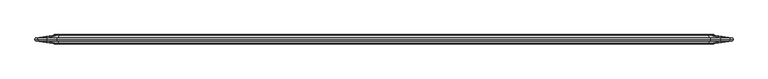
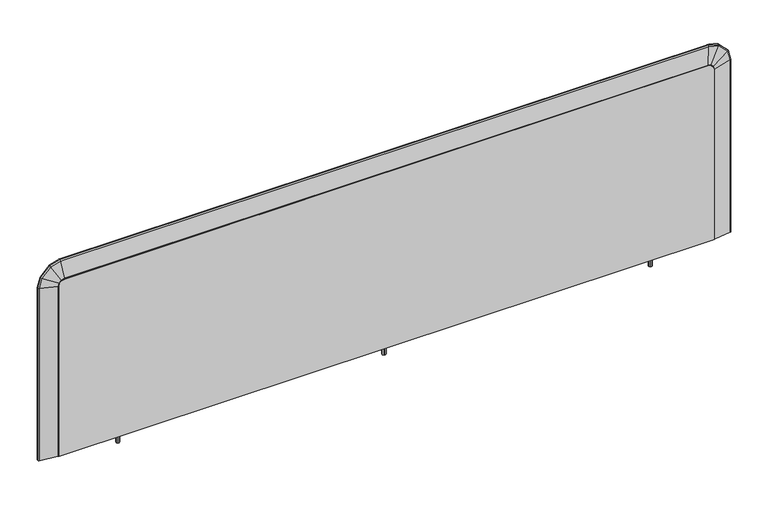
"""IFC4 building model written with IfcOpenShell, lengths in millimetres: furniture geometry."""

from ifc_helpers import new_model, si_unit, frame, origin, place, context, project, spatial, polyline, circle_curve, ellipse_curve, outline, extrude, faceted_brep, source, transform, mapped, element, save
from ifc_brep_helpers import plane_surface, cylinder_surface, advanced_brep


def furniture_494233a1(model_context):
    return source(origin(), model_context, "Body", "SolidModel", [
        faceted_brep([(182.0608047, -24.5352982, 727.3148755), (182.0608047, -38.5848849, 727.3148755), (161.465212, -38.5848849, 727.3148755), (161.465212, -24.5352982, 727.3148755), (161.465212, -24.5352982, 721.056912), (182.0608047, -24.5352982, 721.056912), (161.465212, -38.5848849, 721.056912), (182.0608047, -38.5848849, 721.056912), (41.35374, -21.6312787, 721.056912), (41.35374, -21.6312787, 1111.5510233), (43.0552145, -21.6312787, 1117.9009991), (47.7037408, -21.6312787, 1122.5494799), (54.0537392, -21.6312787, 1124.2509748), (1451.0537158, -21.6312787, 1124.2509748), (1457.4036916, -21.6312787, 1122.5494799), (1462.052245, -21.6312787, 1117.9009991), (1463.75374, -21.6312787, 1111.5510233), (1463.75374, -21.6312787, 721.056912), (41.35374, -41.6655198, 721.056912), (1463.75374, -41.6655198, 721.056912), (1463.75374, -41.6655198, 1111.5510233), (1462.052245, -41.6655198, 1117.9009991), (1457.4036916, -41.6655198, 1122.5494799), (1451.0537158, -41.6655198, 1124.2509748), (54.0537392, -41.6655198, 1124.2509748), (47.7037408, -41.6655198, 1122.5494799), (43.0552145, -41.6655198, 1117.9009991), (41.35374, -41.6655198, 1111.5510233), (1343.4452878, -24.5352982, 721.056912), (1318.0744951, -24.5352982, 721.056912), (1318.0744951, -38.5848849, 721.056912), (1343.4452878, -38.5848849, 721.056912), (1318.0744951, -24.5352982, 727.3148755), (1343.4452878, -24.5352982, 727.3148755), (1343.4452878, -38.5848849, 727.3148755), (1318.0744951, -38.5848849, 727.3148755)], [[[0, 1, 2, 3]], [[0, 3, 4, 5]], [[3, 2, 6, 4]], [[2, 1, 7, 6]], [[1, 0, 5, 7]], [[8, 9, 10, 11, 12, 13, 14, 15, 16, 17]], [[18, 19, 20, 21, 22, 23, 24, 25, 26, 27]], [[9, 8, 18, 27]], [[10, 9, 27, 26]], [[11, 10, 26, 25]], [[12, 11, 25, 24]], [[13, 12, 24, 23]], [[14, 13, 23, 22]], [[15, 14, 22, 21]], [[16, 15, 21, 20]], [[17, 16, 20, 19]], [[8, 17, 19, 18], [5, 4, 6, 7], [28, 29, 30, 31]], [[32, 33, 34, 35]], [[33, 32, 29, 28]], [[34, 33, 28, 31]], [[35, 34, 31, 30]], [[32, 35, 30, 29]]]),
        extrude(outline(polyline([(1329.8115069, -27.7980412), (1332.8230782, -28.1945209), (1334.6722204, -30.6043713), (1334.2757329, -33.6159343), (1331.8658873, -35.4650775), (1328.854316, -35.0685977), (1327.0051738, -32.6587474), (1327.4016613, -29.6471844), (1329.8115069, -27.7980412)]), holes=[polyline([(1329.8826636, -28.0636008), (1327.6397553, -29.7846483), (1327.2707337, -32.5875912), (1328.9917799, -34.8305034), (1331.7947306, -35.1995178), (1334.0376389, -33.4784704), (1334.4066605, -30.6755274), (1332.6856143, -28.4326153), (1329.8826636, -28.0636008)])]), frame((0.0, 0.0, 700.99428), z_axis=(0.0, 0.0, 1.0), x_axis=(1.0, 0.0, 0.0)), (0.0, 0.0, 1.0), 26.3205955),
        extrude(outline(polyline([(173.0545058, -27.7980412), (176.0660771, -28.1945209), (177.9152193, -30.6043713), (177.5187318, -33.6159343), (175.1088862, -35.4650775), (172.0973149, -35.0685977), (170.2481727, -32.6587474), (170.6446602, -29.6471844), (173.0545058, -27.7980412)]), holes=[polyline([(173.1256625, -28.0636008), (170.8827542, -29.7846483), (170.5137326, -32.5875912), (172.2347788, -34.8305034), (175.0377295, -35.1995178), (177.2806378, -33.4784704), (177.6496594, -30.6755274), (175.9286132, -28.4326153), (173.1256625, -28.0636008)])]), frame((0.0, 0.0, 700.99428), z_axis=(0.0, 0.0, 1.0), x_axis=(1.0, 0.0, 0.0)), (0.0, 0.0, 1.0), 26.3205955),
        extrude(outline(polyline([(751.4280597, -27.7980412), (754.439631, -28.1945209), (756.2887732, -30.6043713), (755.8922858, -33.6159343), (753.4824401, -35.4650775), (750.4708689, -35.0685977), (748.6217266, -32.6587474), (749.0182141, -29.6471844), (751.4280597, -27.7980412)]), holes=[polyline([(751.4992164, -28.0636008), (749.2563081, -29.7846483), (748.8872866, -32.5875912), (750.6083327, -34.8305034), (753.4112834, -35.1995178), (755.6541917, -33.4784704), (756.0232133, -30.6755274), (754.3021672, -28.4326153), (751.4992164, -28.0636008)])]), frame((0.0, 0.0, 700.99428), z_axis=(0.0, 0.0, 1.0), x_axis=(1.0, 0.0, 0.0)), (0.0, 0.0, 1.0), 26.3205955),
        advanced_brep(
        [(41.35374, -40.3955198, 720.263162), (40.527722, -40.3955198, 720.263162), (39.2303702, -40.3003466, 720.263162), (2.1950955, -34.8371601, 720.263162), (0.2344281, -32.1683735, 720.263162), (1.4359994, -31.9712076, 720.263162), (0.2308623, -31.6483991, 720.263162), (2.1917528, -29.0070421, 720.263162), (39.1963882, -23.5483754, 720.263162), (40.4937399, -23.4532022, 720.263162), (41.35374, -23.4532022, 720.263162), (1463.75374, -40.3955198, 720.263162), (1463.75374, -23.4532022, 720.263162), (1464.6137401, -23.4532022, 720.263162), (1465.9110918, -23.5483754, 720.263162), (1502.9157272, -29.0070421, 720.263162), (1504.8766177, -31.6483991, 720.263162), (1503.6714806, -31.9712076, 720.263162), (1504.8730519, -32.1683735, 720.263162), (1502.9123845, -34.8371601, 720.263162), (1465.8771098, -40.3003466, 720.263162), (1464.579758, -40.3955198, 720.263162), (1463.75374, -40.3955198, 1110.7572733), (1463.75374, -23.4532022, 1110.7572733), (1462.052245, -23.4532022, 1117.1072491), (1457.4036916, -23.4532022, 1121.7557299), (1451.0537158, -23.4532022, 1123.4572248), (54.0537392, -23.4532022, 1123.4572248), (47.7037408, -23.4532022, 1121.7557299), (43.0552145, -23.4532022, 1117.1072491), (41.35374, -23.4532022, 1110.7572733), (40.4937399, -23.4532022, 1110.8704947), (42.2841603, -23.4532022, 1117.5524202), (47.2585733, -23.4532022, 1122.5267846), (53.9405169, -23.4532022, 1124.3172249), (1451.1669385, -23.4532022, 1124.3172249), (1457.848858, -23.4532022, 1122.5267846), (1462.8232979, -23.4532022, 1117.5524225), (1464.6137401, -23.4532022, 1110.870496), (1465.9110918, -23.5483754, 1111.0412979), (1502.9157272, -29.0070421, 1115.9131172), (1504.8766177, -31.6483991, 1116.1712769), (1503.6714806, -31.9712076, 1116.0126154), (1504.8730519, -32.1683735, 1116.1708075), (1502.9123845, -34.8371601, 1115.9126772), (1465.8771098, -40.3003466, 1111.036824), (1464.579758, -40.3955198, 1110.8660221), (1462.7928305, -40.3955198, 1117.5348319), (1457.8312677, -40.3955198, 1122.4963171), (1451.1624646, -40.3955198, 1124.2832429), (53.9449908, -40.3955198, 1124.2832429), (47.2761636, -40.3955198, 1122.4963171), (42.3146278, -40.3955198, 1117.5348297), (40.527722, -40.3955198, 1110.8660209), (41.35374, -40.3955198, 1110.7572733), (43.0552145, -40.3955198, 1117.1072491), (47.7037408, -40.3955198, 1121.7557299), (54.0537392, -40.3955198, 1123.4572248), (1451.0537158, -40.3955198, 1123.4572248), (1457.4036916, -40.3955198, 1121.7557299), (1462.052245, -40.3955198, 1117.1072491), (1463.9864685, -23.5483754, 1118.2239882), (1497.1638272, -29.0070421, 1137.3791963), (1498.9219087, -31.6483991, 1138.3942385), (1497.8414153, -31.9712076, 1137.7704072), (1498.9187118, -32.1683735, 1138.3923927), (1497.1608302, -34.8371601, 1137.377466), (1463.9560011, -40.3003466, 1118.2063976), (1458.5204132, -23.5483754, 1123.689958), (1477.6753219, -29.0070421, 1156.8673969), (1478.6903482, -31.6483991, 1158.6254827), (1478.0665266, -31.9712076, 1157.5449867), (1478.6885024, -32.1683735, 1158.6222858), (1477.6735916, -34.8371601, 1156.8643999), (1458.5028229, -40.3003466, 1123.6594906), (1451.3377404, -23.5483754, 1125.6145767), (1456.2095597, -29.0070421, 1162.619212), (1456.4677194, -31.6483991, 1164.5801025), (1456.3090579, -31.9712076, 1163.3749655), (1456.46725, -32.1683735, 1164.5765368), (1456.2091197, -34.8371601, 1162.6158693), (1451.3332665, -40.3003466, 1125.5805946), (53.7697156, -23.5483754, 1125.6145767), (48.8979131, -29.0070421, 1162.619212), (48.6397543, -31.6483991, 1164.5801025), (48.7984152, -31.9712076, 1163.3749655), (48.6402238, -32.1683735, 1164.5765368), (48.8983532, -34.8371601, 1162.6158693), (53.7741895, -40.3003466, 1125.5805946), (46.5870166, -23.5483754, 1123.6899579), (27.4320643, -29.0070421, 1156.8673943), (26.4170356, -31.6483991, 1158.62548), (27.0408586, -31.9712076, 1157.544984), (26.4188814, -32.1683735, 1158.622283), (27.4337946, -34.8371601, 1156.8643973), (46.6046069, -40.3003466, 1123.6594904), (41.1209877, -23.5483754, 1118.2239824), (7.9435719, -29.0070421, 1137.3790923), (6.1854873, -31.6483991, 1138.3941293), (7.2659826, -31.9712076, 1137.7703012), (6.1886843, -32.1683735, 1138.3922835), (7.9465689, -34.8371601, 1137.377362), (41.1514552, -40.3003466, 1118.2063919), (39.1963882, -23.5483754, 1111.0412946), (2.1917528, -29.0070421, 1115.9130574), (0.2308623, -31.6483991, 1116.1712141), (1.4359994, -31.9712076, 1116.0125545), (0.2344281, -32.1683735, 1116.1707447), (2.1950955, -34.8371601, 1115.9126174), (39.2303702, -40.3003466, 1111.0368208)],
        [
            (0, 1),
            (1, 2, circle_curve(frame((40.527722, -31.5055198, 720.263162), z_axis=(0.0, 0.0, -1.0), x_axis=(1.0, 0.0, 0.0)), 8.89)),
            (2, 3),
            (3, 4, circle_curve(frame((2.5350157, -32.5328209, 720.263162), z_axis=(0.0, 0.0, -1.0), x_axis=(1.0, 0.0, 0.0)), 2.3292757)),
            (4, 5),
            (5, 6),
            (6, 7, circle_curve(frame((2.5311018, -31.3075093, 720.263162), z_axis=(0.0, 0.0, -1.0), x_axis=(1.0, 0.0, 0.0)), 2.3253618)),
            (7, 8),
            (8, 9, circle_curve(frame((40.4937399, -32.3432022, 720.263162), z_axis=(0.0, 0.0, -1.0), x_axis=(1.0, 0.0, 0.0)), 8.89)),
            (9, 10),
            (10, 0),
            (11, 12),
            (12, 13),
            (13, 14, circle_curve(frame((1464.6137401, -32.3432022, 720.263162), z_axis=(0.0, 0.0, -1.0), x_axis=(-1.0, 0.0, 0.0)), 8.89)),
            (14, 15),
            (15, 16, circle_curve(frame((1502.5763782, -31.3075093, 720.263162), z_axis=(0.0, 0.0, -1.0), x_axis=(-1.0, 0.0, 0.0)), 2.3253618)),
            (16, 17),
            (17, 18),
            (18, 19, circle_curve(frame((1502.5724643, -32.5328209, 720.263162), z_axis=(0.0, 0.0, -1.0), x_axis=(-1.0, 0.0, 0.0)), 2.3292757)),
            (19, 20),
            (20, 21, circle_curve(frame((1464.579758, -31.5055198, 720.263162), z_axis=(0.0, 0.0, -1.0), x_axis=(-1.0, 0.0, 0.0)), 8.89)),
            (21, 11),
            (11, 22),
            (22, 23),
            (23, 12),
            (23, 24),
            (24, 25),
            (25, 26),
            (26, 27),
            (27, 28),
            (28, 29),
            (29, 30),
            (30, 10),
            (9, 31),
            (31, 32),
            (32, 33),
            (33, 34),
            (34, 35),
            (35, 36),
            (36, 37),
            (37, 38),
            (38, 13),
            (38, 39, ellipse_curve(frame((1464.6137401, -32.3432022, 1110.870496), z_axis=(0.1305279474874437, 0.0, -0.9914446302868937), x_axis=(-0.9914446302868937, 0.0, -0.13052794748744298)), 8.9667135, 8.89)),
            (39, 14),
            (39, 40),
            (40, 15),
            (40, 41, ellipse_curve(frame((1502.5763782, -31.3075093, 1115.8684405), z_axis=(0.1305279474874437, 0.0, -0.9914446302868937), x_axis=(-0.9914446302868937, 0.0, -0.13052794748744298)), 2.3454278, 2.3253618)),
            (41, 16),
            (41, 42),
            (42, 17),
            (42, 43),
            (43, 18),
            (43, 44, ellipse_curve(frame((1502.5724643, -32.5328209, 1115.8679252), z_axis=(0.1305279474874437, 0.0, -0.9914446302868937), x_axis=(-0.9914446302868937, 0.0, -0.13052794748744298)), 2.3493754, 2.3292757)),
            (44, 19),
            (44, 45),
            (45, 20),
            (45, 46, ellipse_curve(frame((1464.579758, -31.5055198, 1110.8660221), z_axis=(0.1305279474874437, 0.0, -0.9914446302868937), x_axis=(-0.9914446302868937, 0.0, -0.13052794748744298)), 8.9667135, 8.89)),
            (46, 21),
            (46, 47),
            (47, 48),
            (48, 49),
            (49, 50),
            (50, 51),
            (51, 52),
            (52, 53),
            (53, 1),
            (0, 54),
            (54, 55),
            (55, 56),
            (56, 57),
            (57, 58),
            (58, 59),
            (59, 60),
            (60, 22),
            (60, 24),
            (37, 61, ellipse_curve(frame((1462.8232979, -32.3432022, 1117.5524225), z_axis=(0.5000049178456961, 0.0, -0.8660225644462844), x_axis=(-0.8660225644462847, 0.0, -0.5000049178456953)), 9.2036105, 8.89)),
            (61, 39),
            (61, 62),
            (62, 40),
            (62, 63, ellipse_curve(frame((1496.859576, -31.3075093, 1137.2035345), z_axis=(0.5000049178456961, 0.0, -0.8660225644462844), x_axis=(-0.8660225644462847, 0.0, -0.5000049178456953)), 2.407393, 2.3253618)),
            (63, 41),
            (63, 64),
            (64, 42),
            (64, 65),
            (65, 43),
            (65, 66, ellipse_curve(frame((1496.856067, -32.5328209, 1137.2015086), z_axis=(0.5000049178456961, 0.0, -0.8660225644462844), x_axis=(-0.8660225644462847, 0.0, -0.5000049178456953)), 2.411445, 2.3292757)),
            (66, 44),
            (66, 67),
            (67, 45),
            (67, 47, ellipse_curve(frame((1462.7928305, -31.5055198, 1117.5348319), z_axis=(0.5000049178456961, 0.0, -0.8660225644462844), x_axis=(-0.8660225644462847, 0.0, -0.5000049178456953)), 9.2036105, 8.89)),
            (59, 25),
            (36, 68, ellipse_curve(frame((1457.848858, -32.3432022, 1122.5267846), z_axis=(0.8660264726880769, 0.0, -0.4999981486000199), x_axis=(-0.49999814860001957, 0.0, -0.8660264726880771)), 9.2035912, 8.89)),
            (68, 61),
            (68, 69),
            (69, 62),
            (69, 70, ellipse_curve(frame((1477.4996629, -31.3075093, 1156.5631451), z_axis=(0.8660264726880769, 0.0, -0.4999981486000199), x_axis=(-0.49999814860001957, 0.0, -0.8660264726880771)), 2.407388, 2.3253618)),
            (70, 63),
            (70, 71),
            (71, 64),
            (71, 72),
            (72, 65),
            (72, 73, ellipse_curve(frame((1477.4976369, -32.5328209, 1156.559636), z_axis=(0.8660264726880769, 0.0, -0.4999981486000199), x_axis=(-0.49999814860001957, 0.0, -0.8660264726880771)), 2.4114399, 2.3292757)),
            (73, 66),
            (73, 74),
            (74, 67),
            (74, 48, ellipse_curve(frame((1457.8312677, -31.5055198, 1122.4963171), z_axis=(0.8660264726880769, 0.0, -0.4999981486000199), x_axis=(-0.49999814860001957, 0.0, -0.8660264726880771)), 9.2035912, 8.89)),
            (58, 26),
            (35, 75, ellipse_curve(frame((1451.1669385, -32.3432022, 1124.3172249), z_axis=(0.9914446302856296, 0.0, -0.1305279474970452), x_axis=(-0.13052794749704538, 0.0, -0.9914446302856295)), 8.9667135, 8.89)),
            (75, 68),
            (75, 76),
            (76, 69),
            (76, 77, ellipse_curve(frame((1456.164883, -31.3075093, 1162.2798631), z_axis=(0.9914446302856296, 0.0, -0.1305279474970452), x_axis=(-0.13052794749704538, 0.0, -0.9914446302856295)), 2.3454278, 2.3253618)),
            (77, 70),
            (77, 78),
            (78, 71),
            (78, 79),
            (79, 72),
            (79, 80, ellipse_curve(frame((1456.1643677, -32.5328209, 1162.2759492), z_axis=(0.9914446302856296, 0.0, -0.1305279474970452), x_axis=(-0.13052794749704538, 0.0, -0.9914446302856295)), 2.3493754, 2.3292757)),
            (80, 73),
            (80, 81),
            (81, 74),
            (81, 49, ellipse_curve(frame((1451.1624646, -31.5055198, 1124.2832429), z_axis=(0.9914446302856296, 0.0, -0.1305279474970452), x_axis=(-0.13052794749704538, 0.0, -0.9914446302856295)), 8.9667135, 8.89)),
            (57, 27),
            (34, 82, ellipse_curve(frame((53.9405169, -32.3432022, 1124.3172249), z_axis=(0.9914446886366662, 0.0, 0.13052750428221627), x_axis=(0.13052750428221643, 0.0, -0.9914446886366662)), 8.966713, 8.89)),
            (82, 75),
            (82, 83),
            (83, 76),
            (83, 84, ellipse_curve(frame((48.9425897, -31.3075093, 1162.2798631), z_axis=(0.9914446886366662, 0.0, 0.13052750428221627), x_axis=(0.13052750428221643, 0.0, -0.9914446886366662)), 2.3454276, 2.3253618)),
            (84, 77),
            (84, 85),
            (85, 78),
            (85, 86),
            (86, 79),
            (86, 87, ellipse_curve(frame((48.943105, -32.5328209, 1162.2759492), z_axis=(0.9914446886366662, 0.0, 0.13052750428221627), x_axis=(0.13052750428221643, 0.0, -0.9914446886366662)), 2.3493753, 2.3292757)),
            (87, 80),
            (87, 88),
            (88, 81),
            (88, 50, ellipse_curve(frame((53.9449908, -31.5055198, 1124.2832429), z_axis=(0.9914446886366662, 0.0, 0.13052750428221627), x_axis=(0.13052750428221643, 0.0, -0.9914446886366662)), 8.966713, 8.89)),
            (56, 28),
            (33, 89, ellipse_curve(frame((47.2585733, -32.3432022, 1122.5267846), z_axis=(0.8660259634188125, 0.0, 0.49999903068357804), x_axis=(0.49999903068357804, 0.0, -0.8660259634188127)), 9.203596, 8.89)),
            (89, 82),
            (89, 90),
            (90, 83),
            (90, 91, ellipse_curve(frame((27.6077237, -31.3075093, 1156.5631424), z_axis=(0.8660259634188125, 0.0, 0.49999903068357804), x_axis=(0.49999903068357804, 0.0, -0.8660259634188127)), 2.4073892, 2.3253618)),
            (91, 84),
            (91, 92),
            (92, 85),
            (92, 93),
            (93, 86),
            (93, 94, ellipse_curve(frame((27.6097497, -32.5328209, 1156.5596333), z_axis=(0.8660259634188125, 0.0, 0.49999903068357804), x_axis=(0.49999903068357804, 0.0, -0.8660259634188127)), 2.4114412, 2.3292757)),
            (94, 87),
            (94, 95),
            (95, 88),
            (95, 51, ellipse_curve(frame((47.2761636, -31.5055198, 1122.4963171), z_axis=(0.8660259634188125, 0.0, 0.49999903068357804), x_axis=(0.49999903068357804, 0.0, -0.8660259634188127)), 9.203596, 8.89)),
            (55, 29),
            (32, 96, ellipse_curve(frame((42.2841603, -32.3432022, 1117.5524202), z_axis=(0.5000023482671837, 0.0, 0.8660240480075031), x_axis=(0.8660240480075027, 0.0, -0.5000023482671845)), 9.2036106, 8.89)),
            (96, 89),
            (96, 97),
            (97, 90),
            (97, 98, ellipse_curve(frame((8.2478236, -31.3075093, 1137.2034315), z_axis=(0.5000023482671837, 0.0, 0.8660240480075031), x_axis=(0.8660240480075027, 0.0, -0.5000023482671845)), 2.4073931, 2.3253618)),
            (98, 91),
            (98, 99),
            (99, 92),
            (99, 100),
            (100, 93),
            (100, 101, ellipse_curve(frame((8.2513326, -32.5328209, 1137.2014055), z_axis=(0.5000023482671837, 0.0, 0.8660240480075031), x_axis=(0.8660240480075027, 0.0, -0.5000023482671845)), 2.411445, 2.3292757)),
            (101, 94),
            (101, 102),
            (102, 95),
            (102, 52, ellipse_curve(frame((42.3146278, -31.5055198, 1117.5348297), z_axis=(0.5000023482671837, 0.0, 0.8660240480075031), x_axis=(0.8660240480075027, 0.0, -0.5000023482671845)), 9.2036106, 8.89)),
            (54, 30),
            (31, 103, ellipse_curve(frame((40.4937399, -32.3432022, 1110.8704947), z_axis=(0.13052645881328268, 0.0, 0.9914448262761093), x_axis=(0.9914448262761093, 0.0, -0.13052645881328304)), 8.9667118, 8.89)),
            (103, 96),
            (103, 104),
            (104, 97),
            (104, 105, ellipse_curve(frame((2.5311018, -31.3075093, 1115.8683812), z_axis=(0.13052645881328268, 0.0, 0.9914448262761093), x_axis=(0.9914448262761093, 0.0, -0.13052645881328304)), 2.3454273, 2.3253618)),
            (105, 98),
            (105, 106),
            (106, 99),
            (106, 107),
            (107, 100),
            (107, 108, ellipse_curve(frame((2.5350157, -32.5328209, 1115.8678659), z_axis=(0.13052645881328268, 0.0, 0.9914448262761093), x_axis=(0.9914448262761093, 0.0, -0.13052645881328304)), 2.349375, 2.3292757)),
            (108, 101),
            (108, 109),
            (109, 102),
            (109, 53, ellipse_curve(frame((40.527722, -31.5055198, 1110.8660209), z_axis=(0.13052645881328268, 0.0, 0.9914448262761093), x_axis=(0.9914448262761093, 0.0, -0.13052645881328304)), 8.9667118, 8.89)),
            (8, 103),
            (7, 104),
            (6, 105),
            (5, 106),
            (4, 107),
            (3, 108),
            (2, 109),
        ],
        [
            plane_surface(frame((41.35374, -22.3842497, 720.263162), z_axis=(0.0, 0.0, -1.0), x_axis=(0.0, -1.0, 0.0))),
            plane_surface(frame((1463.75374, -22.3842497, 720.263162), z_axis=(0.0, 0.0, -1.0), x_axis=(0.0, -1.0, 0.0))),
            plane_surface(frame((1463.75374, -40.3955198, 720.263162), z_axis=(-1.0, 0.0, 0.0), x_axis=(0.0, 0.0, 1.0))),
            plane_surface(frame((1463.75374, -23.4532022, 720.263162), z_axis=(0.0, 1.0, 0.0), x_axis=(0.0, 0.0, 1.0))),
            cylinder_surface(frame((1464.6137401, -32.3432022, 720.263162), z_axis=(0.0, 0.0, -1.0), x_axis=(-1.0, 0.0, 0.0)), 8.89),
            plane_surface(frame((1465.9110918, -23.5483754, 720.263162), z_axis=(0.14593382959754853, 0.989294353253365, 0.0), x_axis=(0.0, 0.0, 1.0))),
            cylinder_surface(frame((1502.5763782, -31.3075093, 720.263162), z_axis=(0.0, 0.0, -1.0), x_axis=(-1.0, 0.0, 0.0)), 2.3253618),
            plane_surface(frame((1504.8766177, -31.6483991, 720.263162), z_axis=(0.2587390196457306, -0.9659472654926698, 0.0), x_axis=(0.0, 0.0, 1.0))),
            plane_surface(frame((1503.6714806, -31.9712076, 720.263162), z_axis=(0.1619245654582498, 0.9868031389801905, 0.0), x_axis=(0.0, 0.0, 1.0))),
            cylinder_surface(frame((1502.5724643, -32.5328209, 720.263162), z_axis=(0.0, 0.0, -1.0), x_axis=(-1.0, 0.0, 0.0)), 2.3292757),
            plane_surface(frame((1502.9123845, -34.8371601, 720.263162), z_axis=(0.14593382959753973, -0.9892943532533662, 0.0), x_axis=(0.0, 0.0, 1.0))),
            cylinder_surface(frame((1464.579758, -31.5055198, 720.263162), z_axis=(0.0, 0.0, -1.0), x_axis=(-1.0, 0.0, 0.0)), 8.89),
            plane_surface(frame((1464.579758, -40.3955198, 720.263162), z_axis=(0.0, -1.0, 0.0), x_axis=(0.0, 0.0, 1.0))),
            plane_surface(frame((1463.75374, -40.3955198, 1110.7572733), z_axis=(-0.9659249098494304, 0.0, -0.2588224652775913), x_axis=(-0.2588224652775913, 0.0, 0.9659249098494304))),
            cylinder_surface(frame((1464.5844355, -32.3432022, 1110.9798606), z_axis=(0.25882246527759134, 0.0, -0.9659249098494304), x_axis=(-0.9659249098494304, 0.0, -0.25882246527759134)), 8.89),
            plane_surface(frame((1465.9110918, -23.5483754, 1111.0412979), z_axis=(0.14096112119799525, 0.989294353253365, 0.03777095354383497), x_axis=(-0.2588224652775663, 0.0, 0.965924909849437))),
            cylinder_surface(frame((1501.2534933, -31.3075093, 1120.8054442), z_axis=(0.25882246527759134, 0.0, -0.9659249098494304), x_axis=(-0.9659249098494304, 0.0, -0.25882246527759134)), 2.3253618),
            plane_surface(frame((1504.8766177, -31.6483991, 1116.1712769), z_axis=(0.24992246422583178, -0.9659472654926701, 0.06696747092821555), x_axis=(-0.25882246527759867, 0.0, 0.9659249098494284))),
            plane_surface(frame((1503.6714806, -31.9712076, 1116.0126154), z_axis=(0.1564069712926683, 0.9868031389801903, 0.04190971522090765), x_axis=(-0.2588224652775864, 0.0, 0.9659249098494317))),
            cylinder_surface(frame((1501.2497128, -32.5328209, 1120.8044312), z_axis=(0.25882246527759134, 0.0, -0.9659249098494304), x_axis=(-0.9659249098494304, 0.0, -0.25882246527759134)), 2.3292757),
            plane_surface(frame((1502.9123845, -34.8371601, 1115.9126772), z_axis=(0.14096112119798532, -0.9892943532533665, 0.03777095354383505), x_axis=(-0.2588224652776013, 0.0, 0.9659249098494277))),
            cylinder_surface(frame((1464.5516114, -31.5055198, 1110.9710653), z_axis=(0.25882246527759134, 0.0, -0.9659249098494304), x_axis=(-0.9659249098494304, 0.0, -0.25882246527759134)), 8.89),
            plane_surface(frame((1462.052245, -40.3955198, 1117.1072491), z_axis=(-0.707101254086499, 0.0, -0.7071123082433939), x_axis=(-0.7071123082433939, 0.0, 0.707101254086499))),
            cylinder_surface(frame((1462.6603522, -32.3432022, 1117.7153657), z_axis=(0.7071123082433939, 0.0, -0.707101254086499), x_axis=(-0.707101254086499, 0.0, -0.7071123082433939)), 8.89),
            plane_surface(frame((1463.9864685, -23.5483754, 1118.2239882), z_axis=(0.10318999392206839, 0.9892943532533649, 0.1031916070975258), x_axis=(-0.7071123082434186, 0.0, 0.7071012540864742))),
            cylinder_surface(frame((1489.5037812, -31.3075093, 1144.5592144), z_axis=(0.7071123082433939, 0.0, -0.707101254086499), x_axis=(-0.707101254086499, 0.0, -0.7071123082433939)), 2.3253618),
            plane_surface(frame((1498.9219087, -31.6483991, 1138.3942385), z_axis=(0.1829546852726068, -0.96594726549267, 0.1829575454143244), x_axis=(-0.7071123082433954, 0.0, 0.7071012540864974))),
            plane_surface(frame((1497.8414153, -31.9712076, 1137.7704072), z_axis=(0.11449706330293936, 0.9868031389801903, 0.11449885324249356), x_axis=(-0.7071123082433963, 0.0, 0.7071012540864965))),
            cylinder_surface(frame((1489.5010137, -32.5328209, 1144.5564468), z_axis=(0.7071123082433939, 0.0, -0.707101254086499), x_axis=(-0.707101254086499, 0.0, -0.7071123082433939)), 2.3292757),
            plane_surface(frame((1497.1608302, -34.8371601, 1137.377466), z_axis=(0.10318999392206524, -0.9892943532533665, 0.10319160709751343), x_axis=(-0.7071123082433982, 0.0, 0.7071012540864946))),
            cylinder_surface(frame((1462.6363234, -31.5055198, 1117.6913366), z_axis=(0.7071123082433939, 0.0, -0.707101254086499), x_axis=(-0.707101254086499, 0.0, -0.7071123082433939)), 8.89),
            plane_surface(frame((1457.4036916, -40.3955198, 1121.7557299), z_axis=(-0.2588224652963092, 0.0, -0.9659249098444148), x_axis=(-0.9659249098444148, 0.0, 0.2588224652963092))),
            cylinder_surface(frame((1457.6262789, -32.3432022, 1122.5864254), z_axis=(0.9659249098444174, 0.0, -0.2588224652963002), x_axis=(-0.2588224652963002, 0.0, -0.9659249098444174)), 8.89),
            plane_surface(frame((1458.5204132, -23.5483754, 1123.689958), z_axis=(0.03777095354656809, 0.9892943532533648, 0.14096112119726395), x_axis=(-0.9659249098444171, 0.0, 0.25882246529630043))),
            cylinder_surface(frame((1467.4518625, -31.3075093, 1159.2554832), z_axis=(0.9659249098444174, 0.0, -0.2588224652963002), x_axis=(-0.2588224652963002, 0.0, -0.9659249098444174)), 2.3253618),
            plane_surface(frame((1478.6903482, -31.6483991, 1158.6254827), z_axis=(0.06696747093305606, -0.9659472654926703, 0.2499224642245338), x_axis=(-0.9659249098444167, 0.0, 0.2588224652963024))),
            plane_surface(frame((1478.0665266, -31.9712076, 1157.5449867), z_axis=(0.04190971522393755, 0.9868031389801902, 0.15640697129185754), x_axis=(-0.9659249098444158, 0.0, 0.2588224652963053))),
            cylinder_surface(frame((1467.4508495, -32.5328209, 1159.2517027), z_axis=(0.9659249098444174, 0.0, -0.2588224652963002), x_axis=(-0.2588224652963002, 0.0, -0.9659249098444174)), 2.3292757),
            plane_surface(frame((1477.6735916, -34.8371601, 1156.8643999), z_axis=(0.03777095354656481, -0.9892943532533666, 0.14096112119725285), x_axis=(-0.9659249098444177, 0.0, 0.25882246529629854))),
            cylinder_surface(frame((1457.6174836, -31.5055198, 1122.5536012), z_axis=(0.9659249098444174, 0.0, -0.2588224652963002), x_axis=(-0.2588224652963002, 0.0, -0.9659249098444174)), 8.89),
            plane_surface(frame((1451.0537158, -40.3955198, 1123.4572248), z_axis=(0.0, 0.0, -1.0), x_axis=(-1.0, 0.0, 0.0))),
            cylinder_surface(frame((1451.0537158, -32.3432022, 1124.3172249), z_axis=(1.0, 0.0, 0.0), x_axis=(0.0, 0.0, -1.0)), 8.89),
            plane_surface(frame((1451.3377404, -23.5483754, 1125.6145767), z_axis=(0.0, 0.9892943532533648, 0.1459338295975499), x_axis=(-1.0, 0.0, 0.0))),
            cylinder_surface(frame((1451.0537158, -31.3075093, 1162.2798631), z_axis=(1.0, 0.0, 0.0), x_axis=(0.0, 0.0, -1.0)), 2.3253618),
            plane_surface(frame((1456.4677194, -31.6483991, 1164.5801025), z_axis=(0.0, -0.9659472654926702, 0.25873901964572915), x_axis=(-1.0, 0.0, 0.0))),
            plane_surface(frame((1456.3090579, -31.9712076, 1163.3749655), z_axis=(0.0, 0.9868031389801902, 0.16192456545825118), x_axis=(-1.0, 0.0, 0.0))),
            cylinder_surface(frame((1451.0537158, -32.5328209, 1162.2759492), z_axis=(1.0, 0.0, 0.0), x_axis=(0.0, 0.0, -1.0)), 2.3292757),
            plane_surface(frame((1456.2091197, -34.8371601, 1162.6158693), z_axis=(0.0, -0.9892943532533665, 0.14593382959753828), x_axis=(-1.0, 0.0, 0.0))),
            cylinder_surface(frame((1451.0537158, -31.5055198, 1124.2832429), z_axis=(1.0, 0.0, 0.0), x_axis=(0.0, 0.0, -1.0)), 8.89),
            plane_surface(frame((54.0537392, -40.3955198, 1123.4572248), z_axis=(0.2588216016832134, 0.0, -0.9659251412517101), x_axis=(-0.9659251412517101, 0.0, -0.2588216016832134))),
            cylinder_surface(frame((53.8311526, -32.3432022, 1124.2879206), z_axis=(0.9659251412517121, 0.0, 0.2588216016832059), x_axis=(0.2588216016832059, 0.0, -0.9659251412517121)), 8.89),
            plane_surface(frame((53.7697156, -23.5483754, 1125.6145767), z_axis=(-0.037770827516201026, 0.9892943532533648, 0.14096115496741693), x_axis=(-0.9659251412517137, 0.0, -0.25882160168319984))),
            cylinder_surface(frame((44.0056018, -31.3075093, 1160.9569872), z_axis=(0.9659251412517121, 0.0, 0.2588216016832059), x_axis=(0.2588216016832059, 0.0, -0.9659251412517121)), 2.3253618),
            plane_surface(frame((48.6397543, -31.6483991, 1164.5801025), z_axis=(-0.06696724748265018, -0.9659472654926702, 0.24992252409863033), x_axis=(-0.9659251412517119, 0.0, -0.2588216016832063))),
            plane_surface(frame((48.7984152, -31.9712076, 1163.3749655), z_axis=(-0.0419095753837623, 0.9868031389801903, 0.1564070087623832), x_axis=(-0.9659251412517111, 0.0, -0.2588216016832097))),
            cylinder_surface(frame((44.0066148, -32.5328209, 1160.9532066), z_axis=(0.9659251412517121, 0.0, 0.2588216016832059), x_axis=(0.2588216016832059, 0.0, -0.9659251412517121)), 2.3292757),
            plane_surface(frame((48.8983532, -34.8371601, 1162.6158693), z_axis=(-0.03777082751619946, -0.9892943532533666, 0.14096115496740527), x_axis=(-0.9659251412517111, 0.0, -0.2588216016832098))),
            cylinder_surface(frame((53.8399479, -31.5055198, 1124.2550964), z_axis=(0.9659251412517121, 0.0, 0.2588216016832059), x_axis=(0.2588216016832059, 0.0, -0.9659251412517121)), 8.89),
            plane_surface(frame((47.7037408, -40.3955198, 1121.7557299), z_axis=(0.707103326743919, 0.0, -0.7071102356123002), x_axis=(-0.7071102356123002, 0.0, -0.707103326743919))),
            cylinder_surface(frame((47.0956318, -32.3432022, 1122.3638447), z_axis=(0.7071102356123058, 0.0, 0.7071033267439134), x_axis=(0.7071033267439134, 0.0, -0.7071102356123058)), 8.89),
            plane_surface(frame((46.5870166, -23.5483754, 1123.6899579), z_axis=(-0.10319029639290589, 0.9892943532533649, 0.1031913046305302), x_axis=(-0.7071102356123061, 0.0, -0.7071033267439131))),
            cylinder_surface(frame((20.2521241, -31.3075093, 1149.2076147), z_axis=(0.7071102356123058, 0.0, 0.7071033267439134), x_axis=(0.7071033267439134, 0.0, -0.7071102356123058)), 2.3253618),
            plane_surface(frame((26.4170356, -31.6483991, 1158.62548), z_axis=(-0.18295522154995492, -0.9659472654926703, 0.18295700914378804), x_axis=(-0.7071102356123058, 0.0, -0.7071033267439134))),
            plane_surface(frame((27.0408586, -31.9712076, 1157.544984), z_axis=(-0.11449739891709115, 0.9868031389801903, 0.11449851763260457), x_axis=(-0.7071102356123029, 0.0, -0.7071033267439163))),
            cylinder_surface(frame((20.2548916, -32.5328209, 1149.2048472), z_axis=(0.7071102356123058, 0.0, 0.7071033267439134), x_axis=(0.7071033267439134, 0.0, -0.7071102356123058)), 2.3292757),
            plane_surface(frame((27.4337946, -34.8371601, 1156.8643973), z_axis=(-0.10319029639289963, -0.9892943532533665, 0.10319130463052095), x_axis=(-0.707110235612307, 0.0, -0.7071033267439122))),
            cylinder_surface(frame((47.1196607, -31.5055198, 1122.3398157), z_axis=(0.7071102356123058, 0.0, 0.7071033267439134), x_axis=(0.7071033267439134, 0.0, -0.7071102356123058)), 8.89),
            plane_surface(frame((43.0552145, -40.3955198, 1117.1072491), z_axis=(0.9659256870993269, 0.0, -0.25881956456514876), x_axis=(-0.25881956456514876, 0.0, -0.9659256870993269))),
            cylinder_surface(frame((42.2245184, -32.3432022, 1117.3298339), z_axis=(0.25881956456514177, 0.0, 0.9659256870993289), x_axis=(0.9659256870993289, 0.0, -0.25881956456514177)), 8.89),
            plane_surface(frame((41.1209877, -23.5483754, 1118.2239824), z_axis=(-0.14096123462504867, 0.989294353253365, 0.03777053023176177), x_axis=(-0.25881956456513816, 0.0, -0.9659256870993298))),
            cylinder_surface(frame((5.555431, -31.3075093, 1127.1553074), z_axis=(0.25881956456514177, 0.0, 0.9659256870993289), x_axis=(0.9659256870993289, 0.0, -0.25881956456514177)), 2.3253618),
            plane_surface(frame((6.1854873, -31.6483991, 1138.3941293), z_axis=(-0.24992266533070875, -0.96594726549267, 0.06696672040071887), x_axis=(-0.25881956456514454, 0.0, -0.9659256870993281))),
            plane_surface(frame((7.2659826, -31.9712076, 1137.7703012), z_axis=(-0.15640709714852022, 0.9868031389801905, 0.041909245524305375), x_axis=(-0.25881956456514293, 0.0, -0.9659256870993285))),
            cylinder_surface(frame((5.5592116, -32.5328209, 1127.1542944), z_axis=(0.25881956456514177, 0.0, 0.9659256870993289), x_axis=(0.9659256870993289, 0.0, -0.25881956456514177)), 2.3292757),
            plane_surface(frame((7.9465689, -34.8371601, 1137.377362), z_axis=(-0.14096123462503984, -0.9892943532533663, 0.037770530231757304), x_axis=(-0.2588195645651396, 0.0, -0.9659256870993294))),
            cylinder_surface(frame((42.2573425, -31.5055198, 1117.3210387), z_axis=(0.25881956456514177, 0.0, 0.9659256870993289), x_axis=(0.9659256870993289, 0.0, -0.25881956456514177)), 8.89),
            plane_surface(frame((41.35374, -40.3955198, 1110.7572733), z_axis=(1.0, 0.0, 0.0), x_axis=(0.0, 0.0, -1.0))),
            cylinder_surface(frame((40.4937399, -32.3432022, 1110.7572733), z_axis=(0.0, 0.0, 1.0), x_axis=(1.0, 0.0, 0.0)), 8.89),
            plane_surface(frame((39.1963882, -23.5483754, 1111.0412946), z_axis=(-0.14593382959754853, 0.989294353253365, 0.0), x_axis=(0.0, 0.0, -1.0))),
            cylinder_surface(frame((2.5311018, -31.3075093, 1110.7572733), z_axis=(0.0, 0.0, 1.0), x_axis=(1.0, 0.0, 0.0)), 2.3253618),
            plane_surface(frame((0.2308623, -31.6483991, 1116.1712141), z_axis=(-0.2587390196457306, -0.9659472654926698, 0.0), x_axis=(0.0, 0.0, -1.0))),
            plane_surface(frame((1.4359994, -31.9712076, 1116.0125545), z_axis=(-0.16192456545824976, 0.9868031389801906, 0.0), x_axis=(0.0, 0.0, -1.0))),
            cylinder_surface(frame((2.5350157, -32.5328209, 1110.7572733), z_axis=(0.0, 0.0, 1.0), x_axis=(1.0, 0.0, 0.0)), 2.3292757),
            plane_surface(frame((2.1950955, -34.8371601, 1115.9126174), z_axis=(-0.1459338295975397, -0.9892943532533663, 0.0), x_axis=(0.0, 0.0, -1.0))),
            cylinder_surface(frame((40.527722, -31.5055198, 1110.7572733), z_axis=(0.0, 0.0, 1.0), x_axis=(1.0, 0.0, 0.0)), 8.89),
        ],
        [
            (0, [[1, 2, 3, 4, 5, 6, 7, 8, 9, 10, 11]]),
            (1, [[12, 13, 14, 15, 16, 17, 18, 19, 20, 21, 22]]),
            (2, [[-12, 23, 24, 25]]),
            (3, [[-13, -25, 26, 27, 28, 29, 30, 31, 32, 33, -10, 34, 35, 36, 37, 38, 39, 40, 41, 42]]),
            (4, [[-14, -42, 43, 44]]),
            (5, [[-15, -44, 45, 46]]),
            (6, [[-16, -46, 47, 48]]),
            (7, [[-17, -48, 49, 50]]),
            (8, [[-18, -50, 51, 52]]),
            (9, [[-19, -52, 53, 54]]),
            (10, [[-20, -54, 55, 56]]),
            (11, [[-21, -56, 57, 58]]),
            (12, [[-22, -58, 59, 60, 61, 62, 63, 64, 65, 66, -1, 67, 68, 69, 70, 71, 72, 73, 74, -23]]),
            (13, [[-24, -74, 75, -26]]),
            (14, [[-43, -41, 76, 77]]),
            (15, [[-45, -77, 78, 79]]),
            (16, [[-47, -79, 80, 81]]),
            (17, [[-49, -81, 82, 83]]),
            (18, [[-51, -83, 84, 85]]),
            (19, [[-53, -85, 86, 87]]),
            (20, [[-55, -87, 88, 89]]),
            (21, [[-57, -89, 90, -59]]),
            (22, [[-75, -73, 91, -27]]),
            (23, [[-76, -40, 92, 93]]),
            (24, [[-78, -93, 94, 95]]),
            (25, [[-80, -95, 96, 97]]),
            (26, [[-82, -97, 98, 99]]),
            (27, [[-84, -99, 100, 101]]),
            (28, [[-86, -101, 102, 103]]),
            (29, [[-88, -103, 104, 105]]),
            (30, [[-90, -105, 106, -60]]),
            (31, [[-91, -72, 107, -28]]),
            (32, [[-92, -39, 108, 109]]),
            (33, [[-94, -109, 110, 111]]),
            (34, [[-96, -111, 112, 113]]),
            (35, [[-98, -113, 114, 115]]),
            (36, [[-100, -115, 116, 117]]),
            (37, [[-102, -117, 118, 119]]),
            (38, [[-104, -119, 120, 121]]),
            (39, [[-106, -121, 122, -61]]),
            (40, [[-107, -71, 123, -29]]),
            (41, [[-108, -38, 124, 125]]),
            (42, [[-110, -125, 126, 127]]),
            (43, [[-112, -127, 128, 129]]),
            (44, [[-114, -129, 130, 131]]),
            (45, [[-116, -131, 132, 133]]),
            (46, [[-118, -133, 134, 135]]),
            (47, [[-120, -135, 136, 137]]),
            (48, [[-122, -137, 138, -62]]),
            (49, [[-123, -70, 139, -30]]),
            (50, [[-124, -37, 140, 141]]),
            (51, [[-126, -141, 142, 143]]),
            (52, [[-128, -143, 144, 145]]),
            (53, [[-130, -145, 146, 147]]),
            (54, [[-132, -147, 148, 149]]),
            (55, [[-134, -149, 150, 151]]),
            (56, [[-136, -151, 152, 153]]),
            (57, [[-138, -153, 154, -63]]),
            (58, [[-139, -69, 155, -31]]),
            (59, [[-140, -36, 156, 157]]),
            (60, [[-142, -157, 158, 159]]),
            (61, [[-144, -159, 160, 161]]),
            (62, [[-146, -161, 162, 163]]),
            (63, [[-148, -163, 164, 165]]),
            (64, [[-150, -165, 166, 167]]),
            (65, [[-152, -167, 168, 169]]),
            (66, [[-154, -169, 170, -64]]),
            (67, [[-155, -68, 171, -32]]),
            (68, [[-156, -35, 172, 173]]),
            (69, [[-158, -173, 174, 175]]),
            (70, [[-160, -175, 176, 177]]),
            (71, [[-162, -177, 178, 179]]),
            (72, [[-164, -179, 180, 181]]),
            (73, [[-166, -181, 182, 183]]),
            (74, [[-168, -183, 184, 185]]),
            (75, [[-170, -185, 186, -65]]),
            (76, [[-171, -67, -11, -33]]),
            (77, [[-172, -34, -9, 187]]),
            (78, [[-174, -187, -8, 188]]),
            (79, [[-176, -188, -7, 189]]),
            (80, [[-178, -189, -6, 190]]),
            (81, [[-180, -190, -5, 191]]),
            (82, [[-182, -191, -4, 192]]),
            (83, [[-184, -192, -3, 193]]),
            (84, [[-186, -193, -2, -66]]),
        ],
    ),
    ])


if __name__ == "__main__":
    model = new_model("IFC4")
    model_context = context("Model", 3, world=origin())
    ifc_project = project(units=[si_unit("LENGTHUNIT", "METRE", prefix="MILLI")], contexts=[model_context])
    site = spatial("IfcSite", under=ifc_project)
    building = spatial("IfcBuilding", under=site)
    placement = place(None, origin())
    furniture_shape = furniture_494233a1(model_context)
    element("IfcFurniture", 1, at=placement, inside=building, context=model_context, shape_type="MappedRepresentation", body=[
        mapped(furniture_shape, transform((0.0, 0.0, 0.0), x_axis=(1.0, 0.0, 0.0), y_axis=(0.0, 1.0, 0.0), z_axis=(0.0, 0.0, 1.0))),
    ])
    save(model, "model.ifc")
